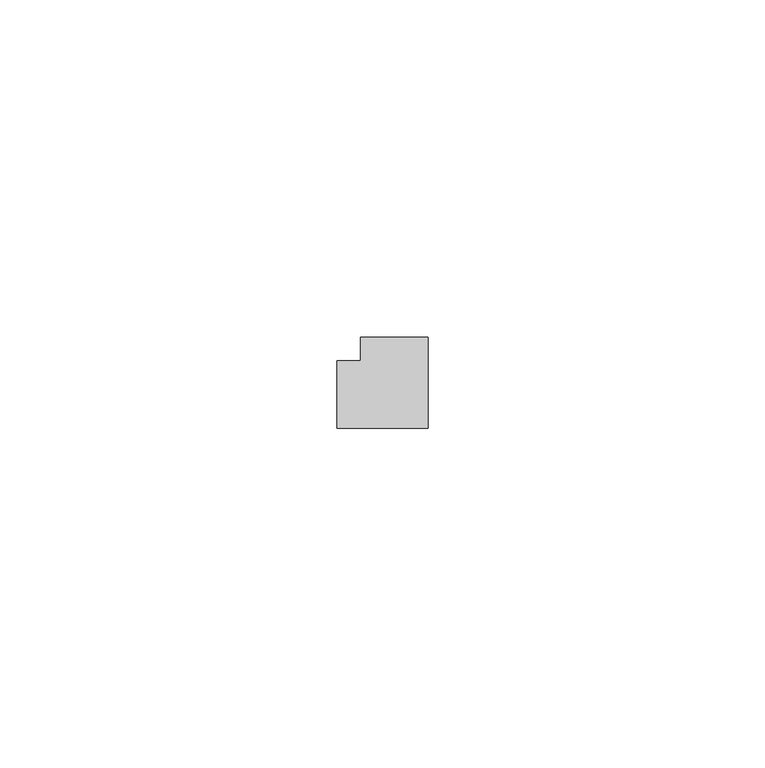
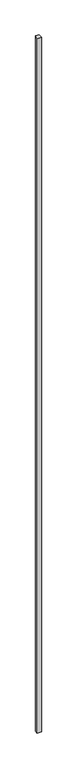
"""IFC4 building model written with IfcOpenShell, lengths in millimetres: member geometry."""

from ifc_helpers import new_model, si_unit, frame, origin, place, context, project, spatial, polyline, outline, extrude, source, transform, mapped, element, save


def member_d2f83c9d(model_context):
    return source(origin(), model_context, "Body", "SweptSolid", [
        extrude(outline(polyline([(5.0, 8.5), (5.0, -5.0), (-8.5, -5.0), (-8.5, 5.0), (-5.0, 5.0), (-5.0, 8.5), (5.0, 8.5)])), frame((0.0, 0.0, -2358.0), z_axis=(0.0, 0.0, 1.0), x_axis=(1.0, 0.0, 0.0)), (0.0, 0.0, 1.0), 2358.0),
    ])


if __name__ == "__main__":
    model = new_model("IFC4")
    model_context = context("Model", 3, world=origin())
    ifc_project = project(units=[si_unit("LENGTHUNIT", "METRE", prefix="MILLI")], contexts=[model_context])
    site = spatial("IfcSite", under=ifc_project)
    building = spatial("IfcBuilding", under=site)
    placement = place(None, origin())
    member_shape = member_d2f83c9d(model_context)
    element("IfcMember", 1, at=placement, inside=building, context=model_context, shape_type="MappedRepresentation", body=[
        mapped(member_shape, transform((0.0, 0.0, 0.0), x_axis=(1.0, 0.0, 0.0), y_axis=(0.0, 1.0, 0.0), z_axis=(0.0, 0.0, 1.0))),
    ])
    save(model, "model.ifc")
